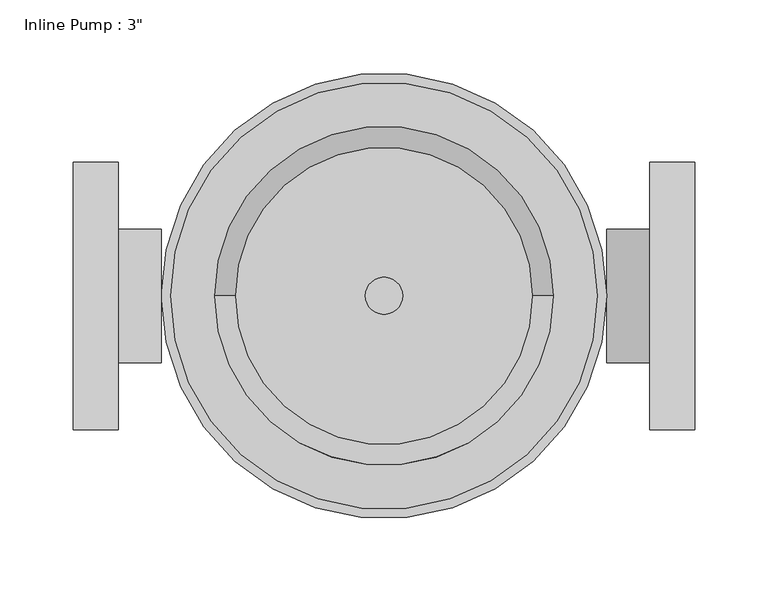
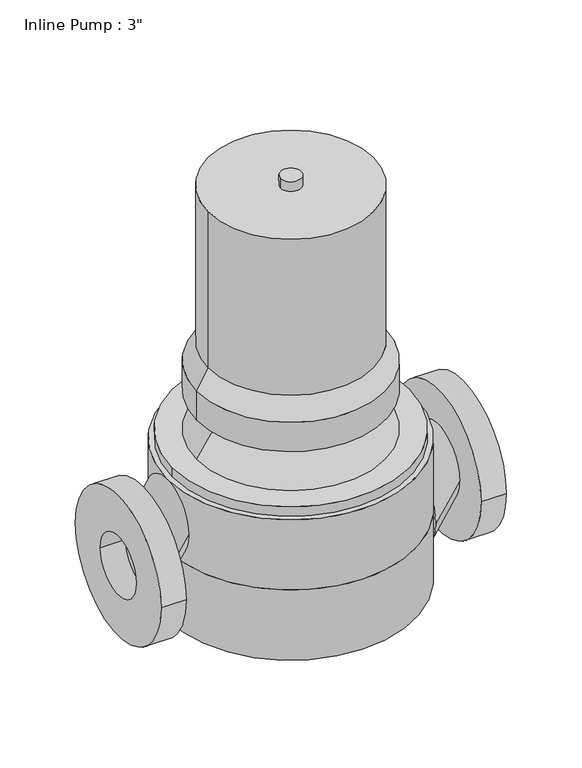
"""IFC4 building model written with IfcOpenShell, lengths in millimetres: proxy geometry."""

from ifc_helpers import new_model, si_unit, point, frame, frame_2d, origin, origin_with_axes, origin_2d, place, context, project, spatial, polyline, circle_curve, trimmed, segment, composite_curve, outline, extrude, source, transform, mapped, element, save
from ifc_brep_helpers import plane_surface, revolved_surface, extruded_surface, advanced_brep


def proxy_7883fd14(model_context):
    return source(origin(), model_context, "Body", "SolidModel", [
        advanced_brep(
        [(152.4, -45.72, 64.7898437), (152.4, 45.72, 64.7898437), (181.737, -45.72, 110.5098438), (181.737, 45.72, 110.5098438)],
        [
            (0, 1, circle_curve(frame((152.4, 0.0, 64.7898437), z_axis=(-1.0, 0.0, 0.0), x_axis=(0.0, 1.0, 0.0)), 45.72)),
            (1, 0, circle_curve(frame((152.4, 0.0, 64.7898437), z_axis=(-1.0, 0.0, 0.0), x_axis=(0.0, 1.0, 0.0)), 45.72)),
            (2, 3, circle_curve(frame((181.737, 0.0, 110.5098438), z_axis=(1.0, 0.0, 0.0), x_axis=(0.0, 1.0, 0.0)), 45.72)),
            (3, 2, circle_curve(frame((181.737, 0.0, 110.5098438), z_axis=(1.0, 0.0, 0.0), x_axis=(0.0, 1.0, 0.0)), 45.72)),
            (3, 1),
            (0, 2),
        ],
        [
            plane_surface(frame((152.4, 0.0, 64.7898437), z_axis=(-1.0, 0.0, 0.0), x_axis=(0.0, 0.0, -1.0))),
            plane_surface(frame((181.737, 0.0, 110.5098438), z_axis=(1.0, 0.0, 0.0), x_axis=(0.0, 0.0, -1.0))),
            extruded_surface(trimmed(circle_curve(frame((181.737, 0.0, 110.5098438), z_axis=(-1.0, 0.0, 0.0), x_axis=(0.0, 1.0, 0.0)), 45.72), [point((181.737, -45.72, 110.5098438))], [point((181.737, 45.72, 110.5098438))], True, "CARTESIAN"), (-29.33699999999999, 0.0, -45.72000009999999), 54.32290472852127),
            extruded_surface(trimmed(circle_curve(frame((181.737, 0.0, 110.5098438), z_axis=(-1.0, 0.0, 0.0), x_axis=(0.0, 1.0, 0.0)), 45.72), [point((181.737, 45.72, 110.5098438))], [point((181.737, -45.72, 110.5098438))], True, "CARTESIAN"), (-29.33699999999999, 0.0, -45.72000009999999), 54.32290472852127),
        ],
        [
            (0, [[1, 2]]),
            (1, [[3, 4]]),
            (2, [[-4, 5, -1, 6]]),
            (3, [[-3, -6, -2, -5]]),
        ],
    ),
        extrude(outline(composite_curve([segment(trimmed(circle_curve(frame_2d((0.0, 110.5098438)), 91.44), [point((-91.44, 110.5098438))], [point((91.44, 110.5098438))], False, "CARTESIAN"), True, "CONTINUOUS"), segment(trimmed(circle_curve(frame_2d((0.0, 110.5098438)), 91.44), [point((91.44, 110.5098438))], [point((-91.44, 110.5098438))], False, "CARTESIAN"), True, "CONTINUOUS")], self_intersect=False), holes=[composite_curve([segment(trimmed(circle_curve(frame_2d((0.0, 110.5098438)), 38.1), [point((-38.1, 110.5098438))], [point((38.1, 110.5098438))], True, "CARTESIAN"), True, "CONTINUOUS"), segment(trimmed(circle_curve(frame_2d((0.0, 110.5098438)), 38.1), [point((38.1, 110.5098438))], [point((-38.1, 110.5098438))], True, "CARTESIAN"), True, "CONTINUOUS")], self_intersect=False)]), frame((181.737, 0.0, 0.0), z_axis=(1.0, 0.0, 0.0), x_axis=(0.0, 1.0, 0.0)), (0.0, 0.0, 1.0), 30.988),
        advanced_brep(
        [(-152.4, -45.72, 156.2298437), (-152.4, 45.72, 156.2298437), (-181.737, -45.72, 110.5098438), (-181.737, 45.72, 110.5098438)],
        [
            (0, 1, circle_curve(frame((-152.4, 0.0, 156.2298437), z_axis=(1.0, 0.0, 0.0), x_axis=(0.0, 1.0, 0.0)), 45.72)),
            (1, 0, circle_curve(frame((-152.4, 0.0, 156.2298437), z_axis=(1.0, 0.0, 0.0), x_axis=(0.0, 1.0, 0.0)), 45.72)),
            (2, 3, circle_curve(frame((-181.737, 0.0, 110.5098438), z_axis=(-1.0, 0.0, 0.0), x_axis=(0.0, 1.0, 0.0)), 45.72)),
            (3, 2, circle_curve(frame((-181.737, 0.0, 110.5098438), z_axis=(-1.0, 0.0, 0.0), x_axis=(0.0, 1.0, 0.0)), 45.72)),
            (3, 1),
            (0, 2),
        ],
        [
            plane_surface(frame((-152.4, 0.0, 156.2298437), z_axis=(1.0, 0.0, 0.0), x_axis=(0.0, 0.0, -1.0))),
            plane_surface(frame((-181.737, 0.0, 110.5098438), z_axis=(-1.0, 0.0, 0.0), x_axis=(0.0, 0.0, -1.0))),
            extruded_surface(trimmed(circle_curve(frame((-181.737, 0.0, 110.5098438), z_axis=(1.0, 0.0, 0.0), x_axis=(0.0, 1.0, 0.0)), 45.72), [point((-181.737, -45.72, 110.5098438))], [point((-181.737, 45.72, 110.5098438))], True, "CARTESIAN"), (29.33699999999999, 0.0, 45.719999900000005), 54.322904560194495),
            extruded_surface(trimmed(circle_curve(frame((-181.737, 0.0, 110.5098438), z_axis=(1.0, 0.0, 0.0), x_axis=(0.0, 1.0, 0.0)), 45.72), [point((-181.737, 45.72, 110.5098438))], [point((-181.737, -45.72, 110.5098438))], True, "CARTESIAN"), (29.33699999999999, 0.0, 45.719999900000005), 54.322904560194495),
        ],
        [
            (0, [[1, 2]]),
            (1, [[3, 4]]),
            (2, [[-4, 5, -1, 6]]),
            (3, [[-3, -6, -2, -5]]),
        ],
    ),
        extrude(outline(composite_curve([segment(trimmed(circle_curve(frame_2d((0.0, 110.5098438)), 91.44), [point((-91.44, 110.5098438))], [point((91.44, 110.5098438))], False, "CARTESIAN"), True, "CONTINUOUS"), segment(trimmed(circle_curve(frame_2d((0.0, 110.5098438)), 91.44), [point((91.44, 110.5098438))], [point((-91.44, 110.5098438))], False, "CARTESIAN"), True, "CONTINUOUS")], self_intersect=False), holes=[composite_curve([segment(trimmed(circle_curve(frame_2d((0.0, 110.5098438)), 38.1), [point((-38.1, 110.5098438))], [point((38.1, 110.5098438))], True, "CARTESIAN"), True, "CONTINUOUS"), segment(trimmed(circle_curve(frame_2d((0.0, 110.5098438)), 38.1), [point((38.1, 110.5098438))], [point((-38.1, 110.5098438))], True, "CARTESIAN"), True, "CONTINUOUS")], self_intersect=False)]), frame((-212.725, 0.0, 0.0), z_axis=(1.0, 0.0, 0.0), x_axis=(0.0, 1.0, 0.0)), (0.0, 0.0, 1.0), 30.988),
        extrude(outline(composite_curve([segment(trimmed(circle_curve(origin_2d(), 12.7), [point((-12.7, 0.0))], [point((12.7, 0.0))], False, "CARTESIAN"), True, "CONTINUOUS"), segment(trimmed(circle_curve(origin_2d(), 12.7), [point((12.7, 0.0))], [point((-12.7, 0.0))], False, "CARTESIAN"), True, "CONTINUOUS")], self_intersect=False)), frame((0.0, 0.0, 532.1498437), z_axis=(0.0, 0.0, 1.0), x_axis=(1.0, 0.0, 0.0)), (0.0, 0.0, 1.0), 12.7),
        extrude(outline(composite_curve([segment(trimmed(circle_curve(origin_2d(), 152.4), [point((-152.4, 0.0))], [point((152.4, 0.0))], False, "CARTESIAN"), True, "CONTINUOUS"), segment(trimmed(circle_curve(origin_2d(), 152.4), [point((152.4, 0.0))], [point((-152.4, 0.0))], False, "CARTESIAN"), True, "CONTINUOUS")], self_intersect=False)), frame((0.0, 0.0, 110.5098437), z_axis=(0.0, 0.0, 1.0), x_axis=(1.0, 0.0, 0.0)), (0.0, 0.0, 1.0), 91.44),
        extrude(outline(composite_curve([segment(trimmed(circle_curve(origin_2d(), 152.4), [point((-152.4, 0.0))], [point((152.4, 0.0))], False, "CARTESIAN"), True, "CONTINUOUS"), segment(trimmed(circle_curve(origin_2d(), 152.4), [point((152.4, 0.0))], [point((-152.4, 0.0))], False, "CARTESIAN"), True, "CONTINUOUS")], self_intersect=False)), frame((0.0, 0.0, 19.0698437), z_axis=(0.0, 0.0, 1.0), x_axis=(1.0, 0.0, 0.0)), (0.0, 0.0, 1.0), 91.44),
        extrude(outline(composite_curve([segment(trimmed(circle_curve(origin_2d(), 38.1), [point((-38.1, 0.0))], [point((38.1, 0.0))], False, "CARTESIAN"), True, "CONTINUOUS"), segment(trimmed(circle_curve(origin_2d(), 38.1), [point((38.1, 0.0))], [point((-38.1, 0.0))], False, "CARTESIAN"), True, "CONTINUOUS")], self_intersect=False)), frame((0.0, 0.0, 6.35), z_axis=(0.0, 0.0, 1.0), x_axis=(1.0, 0.0, 0.0)), (0.0, 0.0, 1.0), 12.7198437),
        extrude(outline(composite_curve([segment(trimmed(circle_curve(origin_2d(), 12.7), [point((-12.7, 0.0))], [point((12.7, 0.0))], False, "CARTESIAN"), True, "CONTINUOUS"), segment(trimmed(circle_curve(origin_2d(), 12.7), [point((12.7, 0.0))], [point((-12.7, 0.0))], False, "CARTESIAN"), True, "CONTINUOUS")], self_intersect=False)), origin_with_axes(), (0.0, 0.0, 1.0), 6.35),
        extrude(outline(composite_curve([segment(trimmed(circle_curve(origin_2d(), 101.6), [point((-101.6, 0.0))], [point((101.6, 0.0))], False, "CARTESIAN"), True, "CONTINUOUS"), segment(trimmed(circle_curve(origin_2d(), 101.6), [point((101.6, 0.0))], [point((-101.6, 0.0))], False, "CARTESIAN"), True, "CONTINUOUS")], self_intersect=False)), frame((0.0, 0.0, 328.9498437), z_axis=(0.0, 0.0, 1.0), x_axis=(1.0, 0.0, 0.0)), (0.0, 0.0, 1.0), 203.2),
        advanced_brep(
        [(-101.6, 0.0, 328.9498437), (101.6, 0.0, 328.9498437), (-115.8875, 0.0, 303.5498437), (115.8875, 0.0, 303.5498437)],
        [
            (0, 1, circle_curve(frame((0.0, 0.0, 328.9498437), z_axis=(0.0, 0.0, 1.0), x_axis=(-1.0, 0.0, 0.0)), 101.6)),
            (1, 0, circle_curve(frame((0.0, 0.0, 328.9498437), z_axis=(0.0, 0.0, 1.0), x_axis=(1.0, 0.0, 0.0)), 101.6)),
            (2, 3, circle_curve(frame((0.0, 0.0, 303.5498437), z_axis=(0.0, 0.0, -1.0), x_axis=(1.0, 0.0, 0.0)), 115.8875)),
            (3, 2, circle_curve(frame((0.0, 0.0, 303.5498437), z_axis=(0.0, 0.0, -1.0), x_axis=(-1.0, 0.0, 0.0)), 115.8875)),
            (3, 1),
            (0, 2),
        ],
        [
            plane_surface(frame((0.0, 0.0, 328.9498437), z_axis=(0.0, 0.0, 1.0), x_axis=(0.0, -1.0, 0.0))),
            plane_surface(frame((0.0, 0.0, 303.5498437), z_axis=(0.0, 0.0, -1.0), x_axis=(0.0, -1.0, 0.0))),
            revolved_surface(polyline([(-101.60000000539385, 0.0, 328.9498437), (-115.8875, 0.0, 303.5498437)]), (0.0, 0.0, 509.572066), (0.0, 0.0, -1.0)),
            revolved_surface(polyline([(101.60000000539385, 0.0, 328.9498437), (115.8875, 0.0, 303.5498437)]), (0.0, 0.0, 509.572066), (0.0, 0.0, -1.0)),
        ],
        [
            (0, [[1, 2]]),
            (1, [[3, 4]]),
            (2, [[-4, 5, -1, 6]]),
            (3, [[-3, -6, -2, -5]]),
        ],
    ),
        extrude(outline(composite_curve([segment(trimmed(circle_curve(origin_2d(), 115.8875), [point((-115.8875, 0.0))], [point((115.8875, 0.0))], False, "CARTESIAN"), True, "CONTINUOUS"), segment(trimmed(circle_curve(origin_2d(), 115.8875), [point((115.8875, 0.0))], [point((-115.8875, 0.0))], False, "CARTESIAN"), True, "CONTINUOUS")], self_intersect=False)), frame((0.0, 0.0, 265.4498437), z_axis=(0.0, 0.0, 1.0), x_axis=(1.0, 0.0, 0.0)), (0.0, 0.0, 1.0), 38.1),
        advanced_brep(
        [(-82.55, 0.0, 265.4498437), (82.55, 0.0, 265.4498437), (-115.8875, 0.0, 214.6498437), (115.8875, 0.0, 214.6498437)],
        [
            (0, 1, circle_curve(frame((0.0, 0.0, 265.4498437), z_axis=(0.0, 0.0, 1.0), x_axis=(-1.0, 0.0, 0.0)), 82.55)),
            (1, 0, circle_curve(frame((0.0, 0.0, 265.4498437), z_axis=(0.0, 0.0, 1.0), x_axis=(1.0, 0.0, 0.0)), 82.55)),
            (2, 3, circle_curve(frame((0.0, 0.0, 214.6498437), z_axis=(0.0, 0.0, -1.0), x_axis=(1.0, 0.0, 0.0)), 115.8875)),
            (3, 2, circle_curve(frame((0.0, 0.0, 214.6498437), z_axis=(0.0, 0.0, -1.0), x_axis=(-1.0, 0.0, 0.0)), 115.8875)),
            (3, 1),
            (0, 2),
        ],
        [
            plane_surface(frame((0.0, 0.0, 265.4498437), z_axis=(0.0, 0.0, 1.0), x_axis=(0.0, -1.0, 0.0))),
            plane_surface(frame((0.0, 0.0, 214.6498437), z_axis=(0.0, 0.0, -1.0), x_axis=(0.0, -1.0, 0.0))),
            revolved_surface(polyline([(-82.55000000179795, 0.0, 265.4498437), (-115.8875, 0.0, 214.6498437)]), (0.0, 0.0, 391.2403199), (0.0, 0.0, -1.0)),
            revolved_surface(polyline([(82.55000000179795, 0.0, 265.4498437), (115.8875, 0.0, 214.6498437)]), (0.0, 0.0, 391.2403199), (0.0, 0.0, -1.0)),
        ],
        [
            (0, [[1, 2]]),
            (1, [[3, 4]]),
            (2, [[-4, 5, -1, 6]]),
            (3, [[-3, -6, -2, -5]]),
        ],
    ),
        extrude(outline(composite_curve([segment(trimmed(circle_curve(origin_2d(), 146.05), [point((-146.05, 0.0))], [point((146.05, 0.0))], False, "CARTESIAN"), True, "CONTINUOUS"), segment(trimmed(circle_curve(origin_2d(), 146.05), [point((146.05, 0.0))], [point((-146.05, 0.0))], False, "CARTESIAN"), True, "CONTINUOUS")], self_intersect=False)), frame((0.0, 0.0, 201.9498437), z_axis=(0.0, 0.0, 1.0), x_axis=(1.0, 0.0, 0.0)), (0.0, 0.0, 1.0), 12.7),
    ])


if __name__ == "__main__":
    model = new_model("IFC4")
    model_context = context("Model", 3, world=origin())
    ifc_project = project(units=[si_unit("LENGTHUNIT", "METRE", prefix="MILLI")], contexts=[model_context])
    site = spatial("IfcSite", under=ifc_project)
    building = spatial("IfcBuilding", under=site)
    placement = place(None, origin())
    proxy_shape = proxy_7883fd14(model_context)
    element("IfcBuildingElementProxy", 1, Name="Inline Pump : 3\"", ObjectType="Inline Pump : 3\"", at=placement, inside=building, context=model_context, shape_type="MappedRepresentation", body=[
        mapped(proxy_shape, transform((0.0, 0.0, 0.0), x_axis=(1.0, 0.0, 0.0), y_axis=(0.0, 1.0, 0.0), z_axis=(0.0, 0.0, 1.0))),
    ])
    save(model, "model.ifc")
